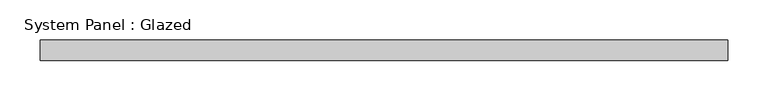
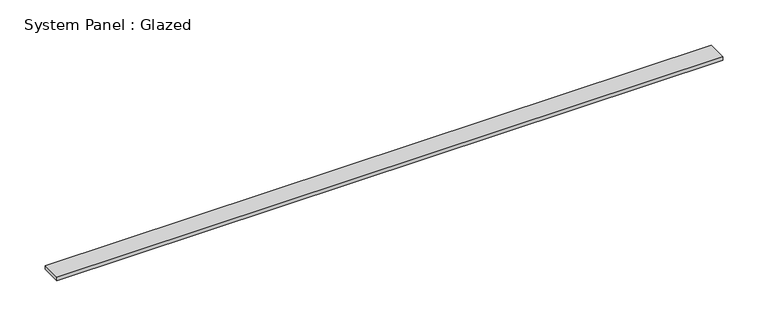
"""IFC4 building model written with IfcOpenShell, lengths in millimetres: plate geometry, System Panel : Glazed."""

from ifc_helpers import new_model, si_unit, origin, origin_with_axes, place, context, project, spatial, polyline, outline, extrude, source, transform, mapped, element, save


def system_panel_glazed_5155c9c6(model_context):
    return source(origin(), model_context, "Body", "SweptSolid", [
        extrude(outline(polyline([(425.45, 0.0), (-425.45, 0.0), (-425.45, 25.4), (425.45, 25.4), (425.45, 0.0)])), origin_with_axes(), (0.0, 0.0, 1.0), 4.7625),
    ])


if __name__ == "__main__":
    model = new_model("IFC4")
    model_context = context("Model", 3, world=origin())
    ifc_project = project(units=[si_unit("LENGTHUNIT", "METRE", prefix="MILLI")], contexts=[model_context])
    site = spatial("IfcSite", under=ifc_project)
    building = spatial("IfcBuilding", under=site)
    placement = place(None, origin())
    system_panel_glazed_shape = system_panel_glazed_5155c9c6(model_context)
    element("IfcPlate", 1, ObjectType="System Panel : Glazed", at=placement, inside=building, context=model_context, shape_type="MappedRepresentation", body=[
        mapped(system_panel_glazed_shape, transform((0.0, 0.0, 0.0), x_axis=(1.0, 0.0, 0.0), y_axis=(0.0, 1.0, 0.0), z_axis=(0.0, 0.0, 1.0))),
    ])
    save(model, "model.ifc")
